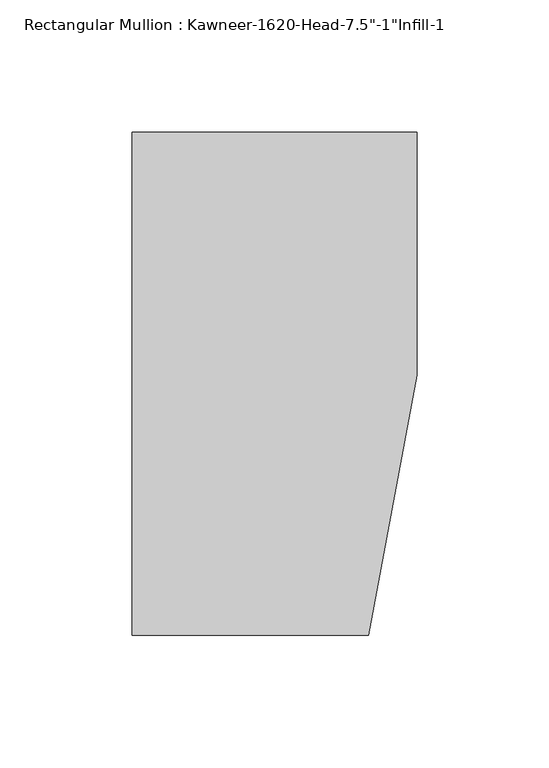
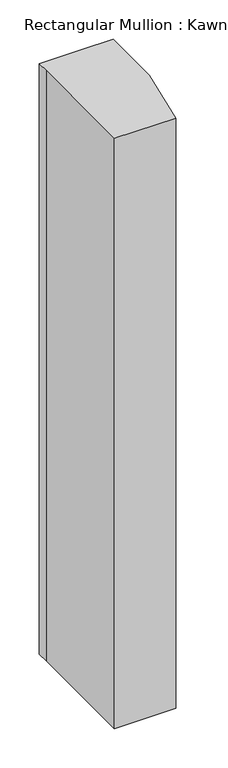
"""IFC4 building model written with IfcOpenShell, lengths in millimetres: member geometry."""

import ifcopenshell
import ifcopenshell.guid

model = None  # the IFC model being written
_history = None  # IfcOwnerHistory: only IFC2X3 demands one
_inside = {}  # id of a spatial element -> (the spatial element, [elements in it])
_under = {}  # id of a project, library or spatial element -> (it, [spatial elements below it])
_declared = {}  # id of a project -> (the project, [libraries it declares])
_typed = {}  # id of a type object -> (the type object, [elements of that type])
_made_of = {}  # id of a material, layer set ... -> (it, [elements and type objects made of it])


def new_model(schema):
    """Start an empty IFC model of exactly this schema.

    Asked for "IFC4X3", IfcOpenShell would pick the latest addendum, in which some entities
    have other attributes; the version numbers below select the first issue.
    IFC2X3 requires an IfcOwnerHistory on every rooted entity: one is made here for all.
    """
    global model, _history
    if schema == "IFC4X3":
        model = ifcopenshell.file(schema_version=(4, 3, 0, 0))
    else:
        model = ifcopenshell.file(schema=schema)
    _inside.clear()
    _under.clear()
    _declared.clear()
    _typed.clear()
    _made_of.clear()
    _history = None
    if model.schema == "IFC2X3":
        org = make("IfcOrganization", Name="unknown")
        user = make(
            "IfcPersonAndOrganization",
            ThePerson=make("IfcPerson", FamilyName="unknown"),
            TheOrganization=org,
        )
        app = make(
            "IfcApplication",
            ApplicationDeveloper=org,
            Version="unknown",
            ApplicationFullName="unknown",
            ApplicationIdentifier="unknown",
        )
        _history = make(
            "IfcOwnerHistory",
            OwningUser=user,
            OwningApplication=app,
            ChangeAction="ADDED",
            CreationDate=0,
        )
    return model


def make(cls, **values):
    """One entity of the class cls with the attributes given. An attribute that is None is left unset."""
    return model.create_entity(
        cls, **{name: value for name, value in values.items() if value is not None}
    )


def rooted(cls, **values):
    """An entity with a GlobalId (a new one), such as an element, a storey or a relation."""
    return make(cls, GlobalId=ifcopenshell.guid.new(), OwnerHistory=_history, **values)


def si_unit(unit_type, name, prefix=None):
    """IfcSIUnit, for example si_unit("LENGTHUNIT", "METRE", prefix="MILLI")."""
    return make("IfcSIUnit", UnitType=unit_type, Prefix=prefix, Name=name)


def assignment(units):
    """IfcUnitAssignment: the units of a project."""
    return None if units is None else make("IfcUnitAssignment", Units=units)


def point(xyz):
    """IfcCartesianPoint."""
    return None if xyz is None else make("IfcCartesianPoint", Coordinates=xyz)


def direction(xyz):
    """IfcDirection."""
    return None if xyz is None else make("IfcDirection", DirectionRatios=xyz)


def frame(location, z_axis=None, x_axis=None):
    """IfcAxis2Placement3D, a coordinate frame: its origin and axes. An axis left out is left unset."""
    return make(
        "IfcAxis2Placement3D",
        Location=point(location),
        Axis=direction(z_axis),
        RefDirection=direction(x_axis),
    )


def origin():
    """The frame at (0, 0, 0) with its axes left unset."""
    return frame((0.0, 0.0, 0.0))


def place(relative_to, where):
    """IfcLocalPlacement: puts the frame where relative to a parent placement (None: the world)."""
    return make(
        "IfcLocalPlacement", PlacementRelTo=relative_to, RelativePlacement=where
    )


def context(
    kind, dimensions, precision=None, world=None, true_north=None, identifier=None
):
    """IfcGeometricRepresentationContext, for example the 3D "Model" context."""
    return make(
        "IfcGeometricRepresentationContext",
        ContextIdentifier=identifier,
        ContextType=kind,
        CoordinateSpaceDimension=dimensions,
        Precision=precision,
        WorldCoordinateSystem=world,
        TrueNorth=true_north,
    )


def project(units=None, contexts=None):
    """IfcProject with its units and contexts."""
    return rooted(
        "IfcProject",
        Name="project",
        RepresentationContexts=contexts,
        UnitsInContext=assignment(units),
    )


def spatial(cls, under=None, at=None, **own):
    """A site, building, storey or space (cls), placed at a placement, below another one or the project."""
    s = rooted(cls, ObjectPlacement=at, **own)
    if under is not None:
        _under.setdefault(under.id(), (under, []))[1].append(s)
    return s


def polyline(points):
    """IfcPolyline through the points."""
    return make("IfcPolyline", Points=[point(p) for p in points])


def outline(outer, holes=None, kind="AREA"):
    """IfcArbitraryClosedProfileDef: a profile drawn as a closed curve; with holes, ...WithVoids."""
    if holes is None:
        return make("IfcArbitraryClosedProfileDef", ProfileType=kind, OuterCurve=outer)
    return make(
        "IfcArbitraryProfileDefWithVoids",
        ProfileType=kind,
        OuterCurve=outer,
        InnerCurves=holes,
    )


def extrude(swept, where, along, depth):
    """IfcExtrudedAreaSolid: the profile swept, set in the frame where, extruded along a direction by depth."""
    return make(
        "IfcExtrudedAreaSolid",
        SweptArea=swept,
        Position=where,
        ExtrudedDirection=direction(along),
        Depth=depth,
    )


def shape(context_of_items, identifier, shape_type, items):
    """IfcShapeRepresentation: the items that make up one representation, for example the "Body"."""
    return make(
        "IfcShapeRepresentation",
        ContextOfItems=context_of_items,
        RepresentationIdentifier=identifier,
        RepresentationType=shape_type,
        Items=items,
    )


def source(mapping_origin, context_of_items, identifier, shape_type, items):
    """IfcRepresentationMap: a shape defined once, which mapped items show again and again."""
    return make(
        "IfcRepresentationMap",
        MappingOrigin=mapping_origin,
        MappedRepresentation=shape(context_of_items, identifier, shape_type, items),
    )


def transform(
    local_origin,
    x_axis=None,
    y_axis=None,
    z_axis=None,
    scale=None,
    scale2=None,
    scale3=None,
    uniform=True,
):
    """IfcCartesianTransformationOperator3D, or its non-uniform kind. x_axis, y_axis, z_axis: its Axis1, 2, 3."""
    if uniform:
        return make(
            "IfcCartesianTransformationOperator3D",
            Axis1=direction(x_axis),
            Axis2=direction(y_axis),
            LocalOrigin=point(local_origin),
            Scale=scale,
            Axis3=direction(z_axis),
        )
    return make(
        "IfcCartesianTransformationOperator3DnonUniform",
        Axis1=direction(x_axis),
        Axis2=direction(y_axis),
        LocalOrigin=point(local_origin),
        Scale=scale,
        Axis3=direction(z_axis),
        Scale2=scale2,
        Scale3=scale3,
    )


def mapped(mapping_source, mapping_target):
    """IfcMappedItem: shows the shape of a source again, moved by a transform."""
    return make(
        "IfcMappedItem", MappingSource=mapping_source, MappingTarget=mapping_target
    )


def made_of(thing, what):
    """Note that an element or type object is made of a material, layer set ...; save() writes the relation."""
    if what is not None:
        _made_of.setdefault(what.id(), (what, []))[1].append(thing)
    return thing


def element(
    cls,
    number,
    at=None,
    inside=None,
    cuts=None,
    type_object=None,
    material=None,
    context=None,
    identifier="Body",
    shape_type=None,
    held_by="IfcProductDefinitionShape",
    body=None,
    shapes=None,
    **own,
):
    """One element of the class cls, such as IfcWall. Its Tag is "e" and its number.

    at: its placement. inside: the storey or other place that contains it. cuts: it is an
    opening in that element (IfcRelVoidsElement). A single representation is given by context,
    identifier, shape_type and body (its items); several are given by shapes. held_by: the class
    of the entity that holds the representations. save() writes the other relations.
    """
    e = rooted(cls, Tag="e%d" % number, ObjectPlacement=at, **own)
    if body is not None:
        shapes = [shape(context, identifier, shape_type, body)]
    if shapes is not None:
        e.Representation = make(held_by, Representations=shapes)
    if inside is not None:
        _inside.setdefault(inside.id(), (inside, []))[1].append(e)
    if cuts is not None:
        rooted(
            "IfcRelVoidsElement", RelatingBuildingElement=cuts, RelatedOpeningElement=e
        )
    if type_object is not None:
        _typed.setdefault(type_object.id(), (type_object, []))[1].append(e)
    return made_of(e, material)


def aggregate(whole, parts):
    """IfcRelAggregates: a whole, such as a stair, and the parts it consists of."""
    return rooted("IfcRelAggregates", RelatingObject=whole, RelatedObjects=parts)


def save(model, path):
    """Write the relations noted so far, then the file.

    IfcRelAggregates (storeys below a building ...), IfcRelContainedInSpatialStructure (elements
    in a storey), IfcRelDefinesByType, IfcRelAssociatesMaterial and IfcRelDeclares: one each for
    every whole, place, type object, material and project.
    """
    for whole, parts in _under.values():
        aggregate(whole, parts)
    for where, things in _inside.values():
        rooted(
            "IfcRelContainedInSpatialStructure",
            RelatedElements=things,
            RelatingStructure=where,
        )
    for kind, things in _typed.values():
        rooted("IfcRelDefinesByType", RelatedObjects=things, RelatingType=kind)
    for what, things in _made_of.values():
        rooted("IfcRelAssociatesMaterial", RelatedObjects=things, RelatingMaterial=what)
    for by, libraries in _declared.values():
        rooted("IfcRelDeclares", RelatingContext=by, RelatedDefinitions=libraries)
    model.write(path)


def member_55ad3085(model_context):
    return source(origin(), model_context, "Body", "SweptSolid", [
        extrude(outline(polyline([(-107.95, 19.9095466), (-107.95, 38.1), (-44.1519366, 38.1), (0.0, 38.1), (0.0, -53.975), (-18.3538271, -152.4), (-107.95, -152.4), (-107.95, 19.9095466)])), frame((0.0, 0.0, -914.4), z_axis=(0.0, 0.0, 1.0), x_axis=(1.0, 0.0, 0.0)), (0.0, 0.0, 1.0), 914.4),
    ])


if __name__ == "__main__":
    model = new_model("IFC4")
    model_context = context("Model", 3, world=origin())
    ifc_project = project(units=[si_unit("LENGTHUNIT", "METRE", prefix="MILLI")], contexts=[model_context])
    site = spatial("IfcSite", under=ifc_project)
    building = spatial("IfcBuilding", under=site)
    placement = place(None, origin())
    member_shape = member_55ad3085(model_context)
    element("IfcMember", 1, ObjectType="Rectangular Mullion : Kawneer-1620-Head-7.5\"-1\"Infill-1", at=placement, inside=building, context=model_context, shape_type="MappedRepresentation", body=[
        mapped(member_shape, transform((0.0, 0.0, 0.0), x_axis=(1.0, 0.0, 0.0), y_axis=(0.0, 1.0, 0.0), z_axis=(0.0, 0.0, 1.0))),
    ])
    save(model, "model.ifc")
